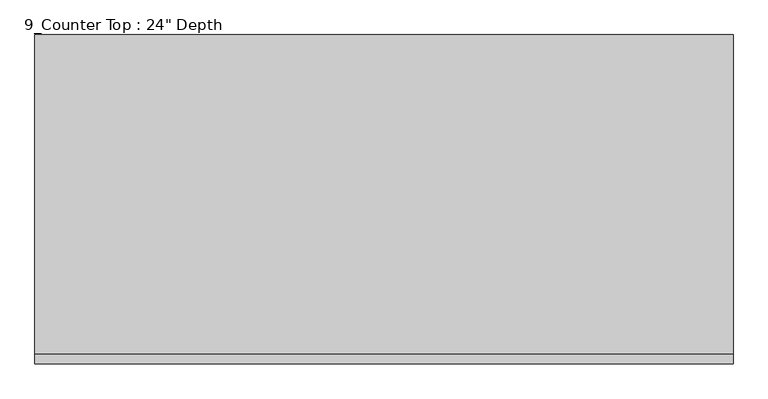
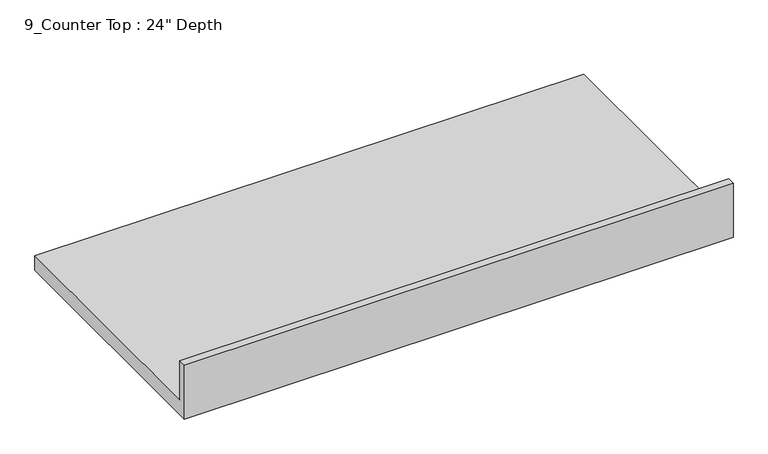
"""IFC4 building model written with IfcOpenShell, lengths in millimetres: furniture geometry."""

from ifc_helpers import new_model, si_unit, frame, origin, place, context, project, spatial, polyline, outline, extrude, source, transform, mapped, element, save


def furniture_d2b1057f(model_context):
    return source(origin(), model_context, "Body", "SweptSolid", [
        extrude(outline(polyline([(0.0, 1016.0), (19.05, 1016.0), (19.05, 914.4), (635.0, 914.4), (635.0, 876.3), (0.0, 876.3), (0.0, 1016.0)])), frame((-1200.4622951, 0.0, 0.0), z_axis=(1.0, 0.0, 0.0), x_axis=(0.0, 1.0, 0.0)), (0.0, 0.0, 1.0), 1345.4523823),
    ])


if __name__ == "__main__":
    model = new_model("IFC4")
    model_context = context("Model", 3, world=origin())
    ifc_project = project(units=[si_unit("LENGTHUNIT", "METRE", prefix="MILLI")], contexts=[model_context])
    site = spatial("IfcSite", under=ifc_project)
    building = spatial("IfcBuilding", under=site)
    placement = place(None, origin())
    furniture_shape = furniture_d2b1057f(model_context)
    element("IfcFurniture", 1, ObjectType="9_Counter Top : 24\" Depth", at=placement, inside=building, context=model_context, shape_type="MappedRepresentation", body=[
        mapped(furniture_shape, transform((0.0, 0.0, 0.0), x_axis=(1.0, 0.0, 0.0), y_axis=(0.0, 1.0, 0.0), z_axis=(0.0, 0.0, 1.0))),
    ])
    save(model, "model.ifc")
